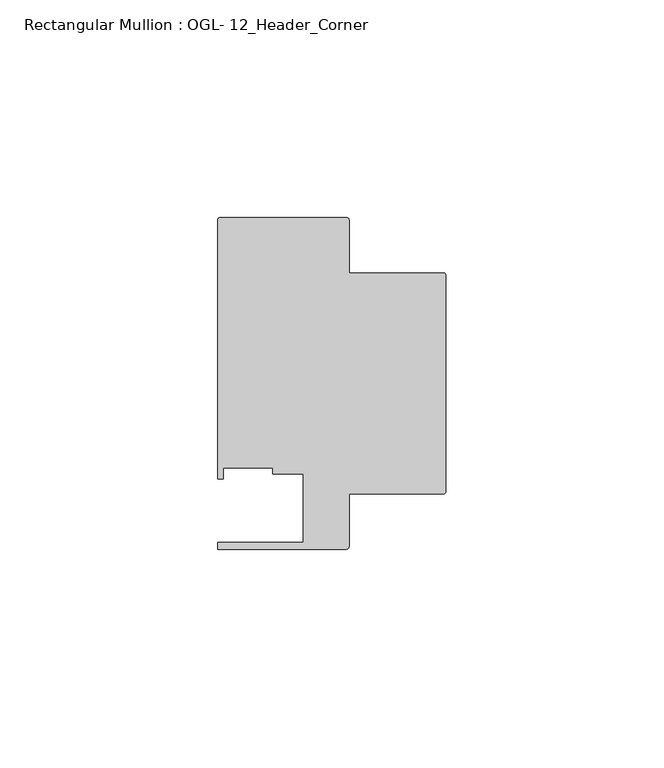
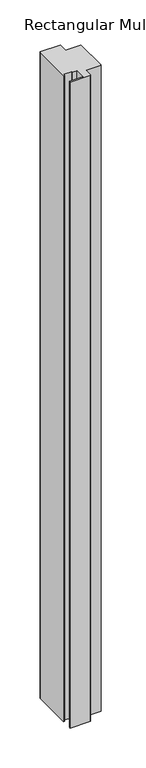
"""IFC4 building model written with IfcOpenShell, lengths in millimetres: member geometry, Rectangular Mullion : OGL- 12_Header_Corner."""

from ifc_helpers import new_model, si_unit, point, frame, frame_2d, origin, place, context, project, spatial, polyline, circle_curve, trimmed, segment, composite_curve, outline, extrude, source, transform, mapped, element, save


def rectangular_mullion_ogl_12_header_corner_bc533ae3(model_context):
    return source(origin(), model_context, "Body", "SweptSolid", [
        extrude(outline(composite_curve([segment(trimmed(circle_curve(frame_2d((-0.5953125, 54.9671875)), 0.5953125), [point((-0.5953125, 55.5625))], [point((0.0, 54.9671875))], False, "CARTESIAN"), True, "CONTINUOUS"), segment(polyline([(0.0, 54.9671875), (0.0, 5.3578125)]), True, "CONTINUOUS"), segment(trimmed(circle_curve(frame_2d((-0.5953125, 5.3578125)), 0.5953125), [point((0.0, 5.3578125))], [point((-0.5953125, 4.7625))], False, "CARTESIAN"), True, "CONTINUOUS"), segment(polyline([(-0.5953125, 4.7625), (-22.2332898, 4.7625), (-22.2332898, -7.294459)]), True, "CONTINUOUS"), segment(trimmed(circle_curve(frame_2d((-22.8763468, -7.294459)), 0.643057), [point((-22.2332898, -7.294459))], [point((-22.8763468, -7.937516))], False, "CARTESIAN"), True, "CONTINUOUS"), segment(polyline([(-22.8763468, -7.937516), (-52.3830881, -7.937516), (-52.3830881, -6.350016), (-32.730302, -6.350016), (-32.730302, 9.3367652), (-39.7567771, 9.3367652), (-39.7567771, 10.6800725), (-51.1362531, 10.6800725), (-51.1362531, 8.1914024), (-52.3921824, 8.1914024), (-52.3921824, 67.6668667)]), True, "CONTINUOUS"), segment(trimmed(circle_curve(frame_2d((-51.7968699, 67.6668667)), 0.5953125), [point((-52.3921824, 67.6668667))], [point((-51.7968699, 68.2621792))], False, "CARTESIAN"), True, "CONTINUOUS"), segment(polyline([(-51.7968699, 68.2621792), (-22.8286023, 68.2621792)]), True, "CONTINUOUS"), segment(trimmed(circle_curve(frame_2d((-22.8286023, 67.6668667)), 0.5953125), [point((-22.8286023, 68.2621792))], [point((-22.2332898, 67.6668667))], False, "CARTESIAN"), True, "CONTINUOUS"), segment(polyline([(-22.2332898, 67.6668667), (-22.2332898, 55.5625), (-0.5953125, 55.5625)]), True, "CONTINUOUS")], self_intersect=False)), frame((0.0, 0.0, -988.21875), z_axis=(0.0, 0.0, 1.0), x_axis=(1.0, 0.0, 0.0)), (0.0, 0.0, 1.0), 988.21875),
    ])


if __name__ == "__main__":
    model = new_model("IFC4")
    model_context = context("Model", 3, world=origin())
    ifc_project = project(units=[si_unit("LENGTHUNIT", "METRE", prefix="MILLI")], contexts=[model_context])
    site = spatial("IfcSite", under=ifc_project)
    building = spatial("IfcBuilding", under=site)
    placement = place(None, origin())
    rectangular_mullion_ogl_12_header_corner_shape = rectangular_mullion_ogl_12_header_corner_bc533ae3(model_context)
    element("IfcMember", 1, ObjectType="Rectangular Mullion : OGL- 12_Header_Corner", at=placement, inside=building, context=model_context, shape_type="MappedRepresentation", body=[
        mapped(rectangular_mullion_ogl_12_header_corner_shape, transform((0.0, 0.0, 0.0), x_axis=(1.0, 0.0, 0.0), y_axis=(0.0, 1.0, 0.0), z_axis=(0.0, 0.0, 1.0))),
    ])
    save(model, "model.ifc")
